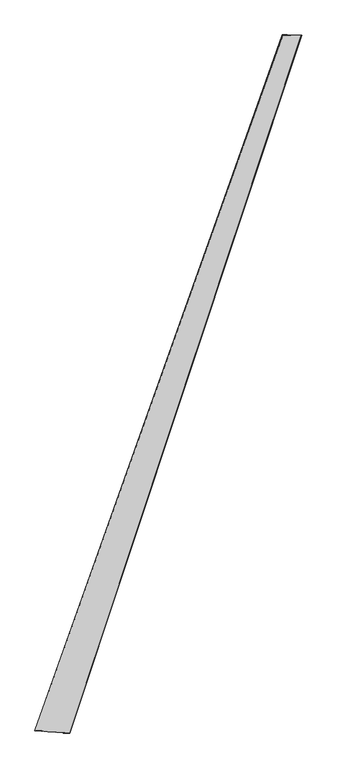
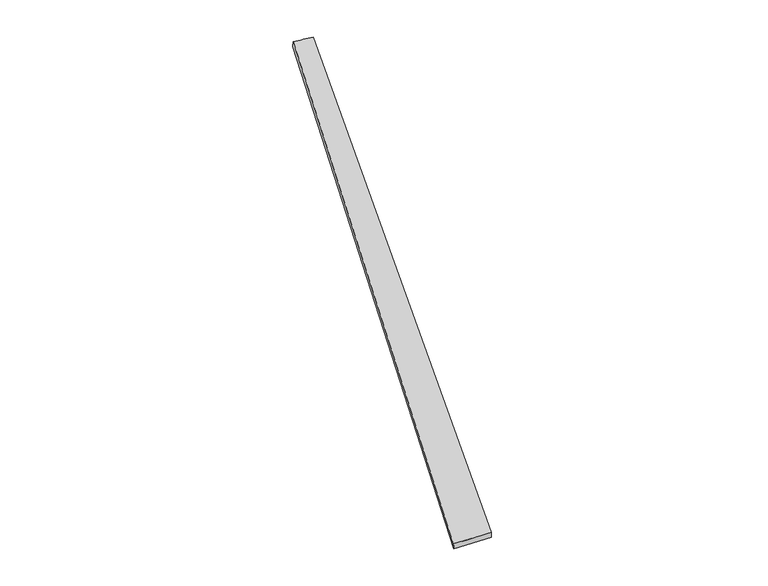
"""IFC4 building model written with IfcOpenShell, lengths in millimetres: proxy geometry."""

from ifc_helpers import new_model, si_unit, origin, place, context, project, spatial, source, transform, mapped, element, save
from ifc_brep_helpers import spline_surface, advanced_brep


def generic_models_dce4a519(model_context):
    return source(origin(), model_context, "Body", "AdvancedBrep", [
        advanced_brep(
        [(-743.8184238, -1884.3400069, -3.5812874), (-744.822129, -1884.0566979, 26.400579), (736.2274891, 2270.7313245, 36.2241549), (732.091635, 2272.2721942, 6.5505904), (-536.9454307, -1897.9555557, 33.5526947), (850.249572, 2269.6450673, 23.3372742), (-535.9442808, -1898.3605695, 3.57214), (847.6710696, 2270.4283822, -6.541443)],
        [
            (0, 1),
            (1, 2),
            (2, 3),
            (3, 0),
            (1, 4),
            (4, 5),
            (5, 2),
            (4, 6),
            (6, 7),
            (7, 5),
            (6, 0),
            (3, 7),
        ],
        [
            spline_surface(1, 1, [[(-743.8184238, -1884.3400069, -3.5812874), (732.091635, 2272.2721942, 6.5505904)], [(-744.822129, -1884.0566979, 26.400579), (736.2274891, 2270.7313245, 36.2241549)]], [2, 2], [2, 2], [0.0, 1.0], [0.0, 1.0]),
            spline_surface(1, 1, [[(-744.822129, -1884.0566979, 26.400579), (736.2274891, 2270.7313245, 36.2241549)], [(-536.9454307, -1897.9555557, 33.5526947), (850.249572, 2269.6450673, 23.3372742)]], [2, 2], [2, 2], [0.0, 1.0], [0.0, 1.0]),
            spline_surface(1, 1, [[(-536.9454307, -1897.9555557, 33.5526947), (850.249572, 2269.6450673, 23.3372742)], [(-535.9442808, -1898.3605695, 3.57214), (847.6710696, 2270.4283822, -6.541443)]], [2, 2], [2, 2], [0.0, 1.0], [0.0, 1.0]),
            spline_surface(1, 1, [[(-535.9442808, -1898.3605695, 3.57214), (847.6710696, 2270.4283822, -6.541443)], [(-743.8184238, -1884.3400069, -3.5812874), (732.091635, 2272.2721942, 6.5505904)]], [2, 2], [2, 2], [0.0, 1.0], [0.0, 1.0]),
            spline_surface(1, 1, [[(736.2274891, 2270.7313245, 36.2241549), (732.091635, 2272.2721942, 6.5505904)], [(850.249572, 2269.6450673, 23.3372742), (847.6710696, 2270.4283822, -6.541443)]], [2, 2], [2, 2], [0.0, 1.0], [0.0, 1.0]),
            spline_surface(1, 1, [[(-535.9442808, -1898.3605695, 3.57214), (-743.8184238, -1884.3400069, -3.5812874)], [(-536.9454307, -1897.9555557, 33.5526947), (-744.822129, -1884.0566979, 26.400579)]], [2, 2], [2, 2], [0.0, 1.0], [0.0, 1.0]),
        ],
        [
            (0, [[1, 2, 3, 4]]),
            (1, [[5, 6, 7, -2]]),
            (2, [[8, 9, 10, -6]]),
            (3, [[11, -4, 12, -9]]),
            (4, [[-3, -7, -10, -12]]),
            (5, [[-11, -8, -5, -1]]),
        ],
    ),
    ])


if __name__ == "__main__":
    model = new_model("IFC4")
    model_context = context("Model", 3, world=origin())
    ifc_project = project(units=[si_unit("LENGTHUNIT", "METRE", prefix="MILLI")], contexts=[model_context])
    site = spatial("IfcSite", under=ifc_project)
    building = spatial("IfcBuilding", under=site)
    placement = place(None, origin())
    generic_models_shape = generic_models_dce4a519(model_context)
    element("IfcBuildingElementProxy", 1, Name="Generic Models", at=placement, inside=building, context=model_context, shape_type="MappedRepresentation", body=[
        mapped(generic_models_shape, transform((0.0, 0.0, 0.0), x_axis=(1.0, 0.0, 0.0), y_axis=(0.0, 1.0, 0.0), z_axis=(0.0, 0.0, 1.0))),
    ])
    save(model, "model.ifc")
